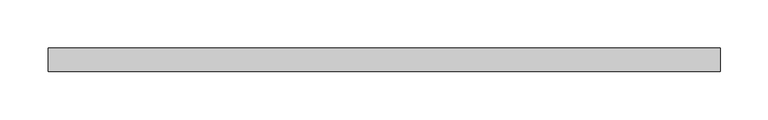
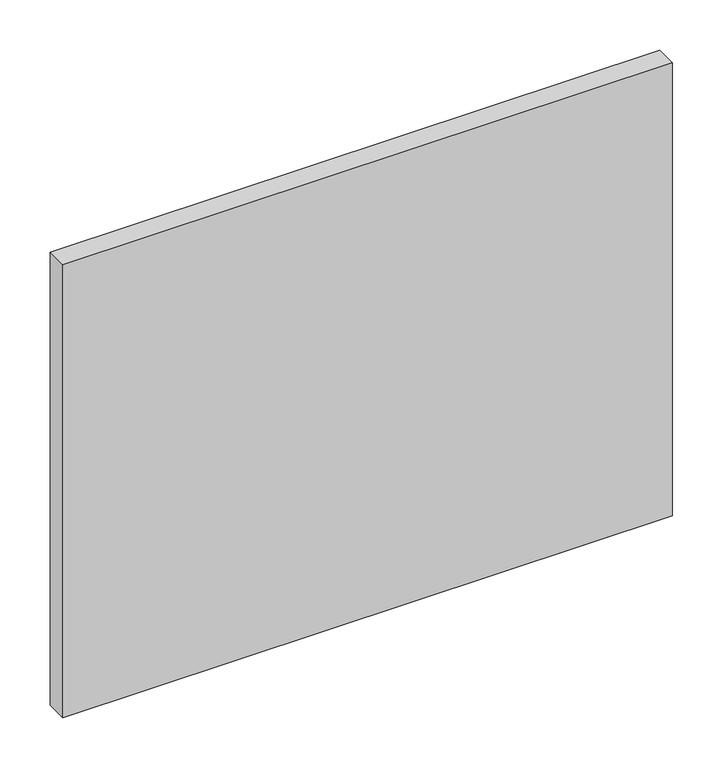
"""IFC4 building model written with IfcOpenShell, lengths in millimetres: plate geometry."""

import ifcopenshell
import ifcopenshell.guid

model = None  # the IFC model being written
_history = None  # IfcOwnerHistory: only IFC2X3 demands one
_inside = {}  # id of a spatial element -> (the spatial element, [elements in it])
_under = {}  # id of a project, library or spatial element -> (it, [spatial elements below it])
_declared = {}  # id of a project -> (the project, [libraries it declares])
_typed = {}  # id of a type object -> (the type object, [elements of that type])
_made_of = {}  # id of a material, layer set ... -> (it, [elements and type objects made of it])


def new_model(schema):
    """Start an empty IFC model of exactly this schema.

    Asked for "IFC4X3", IfcOpenShell would pick the latest addendum, in which some entities
    have other attributes; the version numbers below select the first issue.
    IFC2X3 requires an IfcOwnerHistory on every rooted entity: one is made here for all.
    """
    global model, _history
    if schema == "IFC4X3":
        model = ifcopenshell.file(schema_version=(4, 3, 0, 0))
    else:
        model = ifcopenshell.file(schema=schema)
    _inside.clear()
    _under.clear()
    _declared.clear()
    _typed.clear()
    _made_of.clear()
    _history = None
    if model.schema == "IFC2X3":
        org = make("IfcOrganization", Name="unknown")
        user = make(
            "IfcPersonAndOrganization",
            ThePerson=make("IfcPerson", FamilyName="unknown"),
            TheOrganization=org,
        )
        app = make(
            "IfcApplication",
            ApplicationDeveloper=org,
            Version="unknown",
            ApplicationFullName="unknown",
            ApplicationIdentifier="unknown",
        )
        _history = make(
            "IfcOwnerHistory",
            OwningUser=user,
            OwningApplication=app,
            ChangeAction="ADDED",
            CreationDate=0,
        )
    return model


def make(cls, **values):
    """One entity of the class cls with the attributes given. An attribute that is None is left unset."""
    return model.create_entity(
        cls, **{name: value for name, value in values.items() if value is not None}
    )


def rooted(cls, **values):
    """An entity with a GlobalId (a new one), such as an element, a storey or a relation."""
    return make(cls, GlobalId=ifcopenshell.guid.new(), OwnerHistory=_history, **values)


def si_unit(unit_type, name, prefix=None):
    """IfcSIUnit, for example si_unit("LENGTHUNIT", "METRE", prefix="MILLI")."""
    return make("IfcSIUnit", UnitType=unit_type, Prefix=prefix, Name=name)


def assignment(units):
    """IfcUnitAssignment: the units of a project."""
    return None if units is None else make("IfcUnitAssignment", Units=units)


def point(xyz):
    """IfcCartesianPoint."""
    return None if xyz is None else make("IfcCartesianPoint", Coordinates=xyz)


def direction(xyz):
    """IfcDirection."""
    return None if xyz is None else make("IfcDirection", DirectionRatios=xyz)


def frame(location, z_axis=None, x_axis=None):
    """IfcAxis2Placement3D, a coordinate frame: its origin and axes. An axis left out is left unset."""
    return make(
        "IfcAxis2Placement3D",
        Location=point(location),
        Axis=direction(z_axis),
        RefDirection=direction(x_axis),
    )


def origin():
    """The frame at (0, 0, 0) with its axes left unset."""
    return frame((0.0, 0.0, 0.0))


def origin_with_axes():
    """The frame at (0, 0, 0) with the z axis (0, 0, 1) and the x axis (1, 0, 0) written out."""
    return frame((0.0, 0.0, 0.0), z_axis=(0.0, 0.0, 1.0), x_axis=(1.0, 0.0, 0.0))


def place(relative_to, where):
    """IfcLocalPlacement: puts the frame where relative to a parent placement (None: the world)."""
    return make(
        "IfcLocalPlacement", PlacementRelTo=relative_to, RelativePlacement=where
    )


def context(
    kind, dimensions, precision=None, world=None, true_north=None, identifier=None
):
    """IfcGeometricRepresentationContext, for example the 3D "Model" context."""
    return make(
        "IfcGeometricRepresentationContext",
        ContextIdentifier=identifier,
        ContextType=kind,
        CoordinateSpaceDimension=dimensions,
        Precision=precision,
        WorldCoordinateSystem=world,
        TrueNorth=true_north,
    )


def project(units=None, contexts=None):
    """IfcProject with its units and contexts."""
    return rooted(
        "IfcProject",
        Name="project",
        RepresentationContexts=contexts,
        UnitsInContext=assignment(units),
    )


def spatial(cls, under=None, at=None, **own):
    """A site, building, storey or space (cls), placed at a placement, below another one or the project."""
    s = rooted(cls, ObjectPlacement=at, **own)
    if under is not None:
        _under.setdefault(under.id(), (under, []))[1].append(s)
    return s


def polyline(points):
    """IfcPolyline through the points."""
    return make("IfcPolyline", Points=[point(p) for p in points])


def outline(outer, holes=None, kind="AREA"):
    """IfcArbitraryClosedProfileDef: a profile drawn as a closed curve; with holes, ...WithVoids."""
    if holes is None:
        return make("IfcArbitraryClosedProfileDef", ProfileType=kind, OuterCurve=outer)
    return make(
        "IfcArbitraryProfileDefWithVoids",
        ProfileType=kind,
        OuterCurve=outer,
        InnerCurves=holes,
    )


def extrude(swept, where, along, depth):
    """IfcExtrudedAreaSolid: the profile swept, set in the frame where, extruded along a direction by depth."""
    return make(
        "IfcExtrudedAreaSolid",
        SweptArea=swept,
        Position=where,
        ExtrudedDirection=direction(along),
        Depth=depth,
    )


def shape(context_of_items, identifier, shape_type, items):
    """IfcShapeRepresentation: the items that make up one representation, for example the "Body"."""
    return make(
        "IfcShapeRepresentation",
        ContextOfItems=context_of_items,
        RepresentationIdentifier=identifier,
        RepresentationType=shape_type,
        Items=items,
    )


def source(mapping_origin, context_of_items, identifier, shape_type, items):
    """IfcRepresentationMap: a shape defined once, which mapped items show again and again."""
    return make(
        "IfcRepresentationMap",
        MappingOrigin=mapping_origin,
        MappedRepresentation=shape(context_of_items, identifier, shape_type, items),
    )


def transform(
    local_origin,
    x_axis=None,
    y_axis=None,
    z_axis=None,
    scale=None,
    scale2=None,
    scale3=None,
    uniform=True,
):
    """IfcCartesianTransformationOperator3D, or its non-uniform kind. x_axis, y_axis, z_axis: its Axis1, 2, 3."""
    if uniform:
        return make(
            "IfcCartesianTransformationOperator3D",
            Axis1=direction(x_axis),
            Axis2=direction(y_axis),
            LocalOrigin=point(local_origin),
            Scale=scale,
            Axis3=direction(z_axis),
        )
    return make(
        "IfcCartesianTransformationOperator3DnonUniform",
        Axis1=direction(x_axis),
        Axis2=direction(y_axis),
        LocalOrigin=point(local_origin),
        Scale=scale,
        Axis3=direction(z_axis),
        Scale2=scale2,
        Scale3=scale3,
    )


def mapped(mapping_source, mapping_target):
    """IfcMappedItem: shows the shape of a source again, moved by a transform."""
    return make(
        "IfcMappedItem", MappingSource=mapping_source, MappingTarget=mapping_target
    )


def made_of(thing, what):
    """Note that an element or type object is made of a material, layer set ...; save() writes the relation."""
    if what is not None:
        _made_of.setdefault(what.id(), (what, []))[1].append(thing)
    return thing


def element(
    cls,
    number,
    at=None,
    inside=None,
    cuts=None,
    type_object=None,
    material=None,
    context=None,
    identifier="Body",
    shape_type=None,
    held_by="IfcProductDefinitionShape",
    body=None,
    shapes=None,
    **own,
):
    """One element of the class cls, such as IfcWall. Its Tag is "e" and its number.

    at: its placement. inside: the storey or other place that contains it. cuts: it is an
    opening in that element (IfcRelVoidsElement). A single representation is given by context,
    identifier, shape_type and body (its items); several are given by shapes. held_by: the class
    of the entity that holds the representations. save() writes the other relations.
    """
    e = rooted(cls, Tag="e%d" % number, ObjectPlacement=at, **own)
    if body is not None:
        shapes = [shape(context, identifier, shape_type, body)]
    if shapes is not None:
        e.Representation = make(held_by, Representations=shapes)
    if inside is not None:
        _inside.setdefault(inside.id(), (inside, []))[1].append(e)
    if cuts is not None:
        rooted(
            "IfcRelVoidsElement", RelatingBuildingElement=cuts, RelatedOpeningElement=e
        )
    if type_object is not None:
        _typed.setdefault(type_object.id(), (type_object, []))[1].append(e)
    return made_of(e, material)


def aggregate(whole, parts):
    """IfcRelAggregates: a whole, such as a stair, and the parts it consists of."""
    return rooted("IfcRelAggregates", RelatingObject=whole, RelatedObjects=parts)


def save(model, path):
    """Write the relations noted so far, then the file.

    IfcRelAggregates (storeys below a building ...), IfcRelContainedInSpatialStructure (elements
    in a storey), IfcRelDefinesByType, IfcRelAssociatesMaterial and IfcRelDeclares: one each for
    every whole, place, type object, material and project.
    """
    for whole, parts in _under.values():
        aggregate(whole, parts)
    for where, things in _inside.values():
        rooted(
            "IfcRelContainedInSpatialStructure",
            RelatedElements=things,
            RelatingStructure=where,
        )
    for kind, things in _typed.values():
        rooted("IfcRelDefinesByType", RelatedObjects=things, RelatingType=kind)
    for what, things in _made_of.values():
        rooted("IfcRelAssociatesMaterial", RelatedObjects=things, RelatingMaterial=what)
    for by, libraries in _declared.values():
        rooted("IfcRelDeclares", RelatingContext=by, RelatedDefinitions=libraries)
    model.write(path)


def plate_f627e59f(model_context):
    return source(origin(), model_context, "Body", "SweptSolid", [
        extrude(outline(polyline([(350.0, -12.5), (-350.0, -12.5), (-350.0, 12.5), (350.0, 12.5), (350.0, -12.5)])), origin_with_axes(), (0.0, 0.0, 1.0), 550.0),
    ])


if __name__ == "__main__":
    model = new_model("IFC4")
    model_context = context("Model", 3, world=origin())
    ifc_project = project(units=[si_unit("LENGTHUNIT", "METRE", prefix="MILLI")], contexts=[model_context])
    site = spatial("IfcSite", under=ifc_project)
    building = spatial("IfcBuilding", under=site)
    placement = place(None, origin())
    plate_shape = plate_f627e59f(model_context)
    element("IfcPlate", 1, at=placement, inside=building, context=model_context, shape_type="MappedRepresentation", body=[
        mapped(plate_shape, transform((0.0, 0.0, 0.0), x_axis=(1.0, 0.0, 0.0), y_axis=(0.0, 1.0, 0.0), z_axis=(0.0, 0.0, 1.0))),
    ])
    save(model, "model.ifc")
